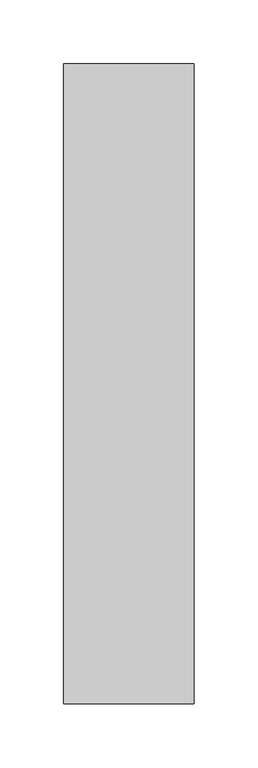
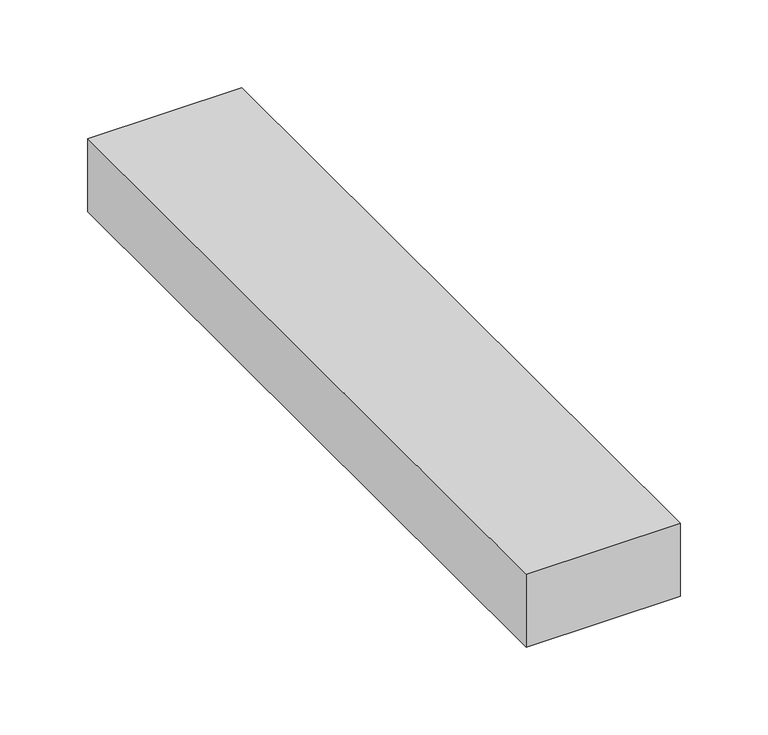
"""IFC4 building model written with IfcOpenShell, lengths in millimetres: proxy geometry."""

from ifc_helpers import new_model, si_unit, origin, origin_with_axes, place, context, project, spatial, polyline, outline, extrude, source, transform, mapped, element, save


def generic_models_b1ea0892(model_context):
    return source(origin(), model_context, "Body", "SweptSolid", [
        extrude(outline(polyline([(101.6, 0.0), (0.0, 0.0), (0.0, 500.0), (101.6, 500.0), (101.6, 0.0)])), origin_with_axes(), (0.0, 0.0, 1.0), 50.8),
    ])


if __name__ == "__main__":
    model = new_model("IFC4")
    model_context = context("Model", 3, world=origin())
    ifc_project = project(units=[si_unit("LENGTHUNIT", "METRE", prefix="MILLI")], contexts=[model_context])
    site = spatial("IfcSite", under=ifc_project)
    building = spatial("IfcBuilding", under=site)
    placement = place(None, origin())
    generic_models_shape = generic_models_b1ea0892(model_context)
    element("IfcBuildingElementProxy", 1, Name="Generic Models", at=placement, inside=building, context=model_context, shape_type="MappedRepresentation", body=[
        mapped(generic_models_shape, transform((0.0, 0.0, 0.0), x_axis=(1.0, 0.0, 0.0), y_axis=(0.0, 1.0, 0.0), z_axis=(0.0, 0.0, 1.0))),
    ])
    save(model, "model.ifc")
